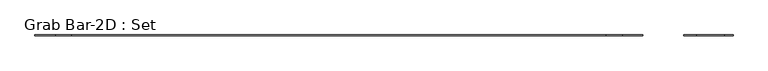
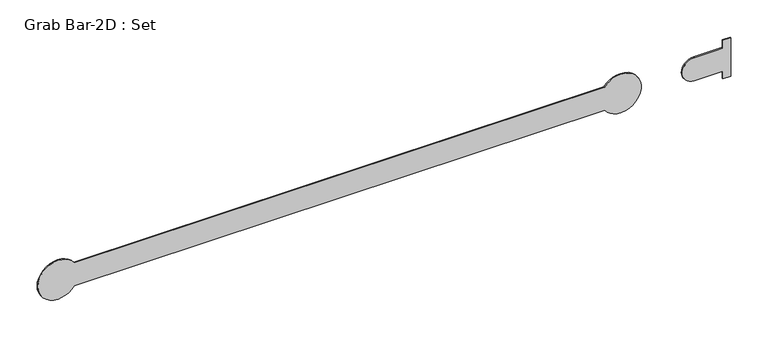
"""IFC4 building model written with IfcOpenShell, lengths in millimetres: proxy geometry, Grab Bar-2D : Set."""

from ifc_helpers import new_model, si_unit, point, frame, frame_2d, origin, place, context, project, spatial, polyline, circle_curve, trimmed, segment, composite_curve, outline, extrude, source, transform, mapped, element, save


def grab_bar_2d_set_b1d513ea(model_context):
    return source(origin(), model_context, "Body", "SweptSolid", [
        extrude(outline(composite_curve([segment(trimmed(circle_curve(frame_2d((914.4, -185.6468462)), 31.75), [point((933.45, -160.2468462))], [point((946.15, -185.6468462))], False, "CARTESIAN"), True, "CONTINUOUS"), segment(trimmed(circle_curve(frame_2d((914.4, -185.6468462)), 31.75), [point((946.15, -185.6468462))], [point((882.65, -185.6468462))], False, "CARTESIAN"), True, "CONTINUOUS"), segment(trimmed(circle_curve(frame_2d((914.4, -185.6468462)), 31.75), [point((882.65, -185.6468462))], [point((895.35, -160.2468462))], False, "CARTESIAN"), True, "CONTINUOUS"), segment(polyline([(895.35, -160.2468462), (895.35, 665.2531538)]), True, "CONTINUOUS"), segment(trimmed(circle_curve(frame_2d((914.4, 690.6531538)), 31.75), [point((895.35, 665.2531538))], [point((882.65, 690.6531538))], False, "CARTESIAN"), True, "CONTINUOUS"), segment(trimmed(circle_curve(frame_2d((914.4, 690.6531538)), 31.75), [point((882.65, 690.6531538))], [point((946.15, 690.6531538))], False, "CARTESIAN"), True, "CONTINUOUS"), segment(trimmed(circle_curve(frame_2d((914.4, 690.6531538)), 31.75), [point((946.15, 690.6531538))], [point((933.45, 665.2531538))], False, "CARTESIAN"), True, "CONTINUOUS"), segment(polyline([(933.45, 665.2531538), (933.45, -160.2468462)]), True, "CONTINUOUS")], self_intersect=False)), frame((0.0, -177.8, 0.0), z_axis=(0.0, 1.0, 0.0), x_axis=(0.0, 0.0, 1.0)), (0.0, 0.0, 1.0), 1.5875),
        extrude(outline(composite_curve([segment(polyline([(946.15, 862.1031538), (946.15, 849.4031538), (933.45, 849.4031538), (933.45, 804.9531538)]), True, "CONTINUOUS"), segment(trimmed(circle_curve(frame_2d((914.4, 804.9531538)), 19.05), [point((933.45, 804.9531538))], [point((895.35, 804.9531538))], False, "CARTESIAN"), True, "CONTINUOUS"), segment(polyline([(895.35, 804.9531538), (895.35, 849.4031538), (882.65, 849.4031538), (882.65, 862.1031538), (946.15, 862.1031538)]), True, "CONTINUOUS")], self_intersect=False)), frame((0.0, -177.8, 0.0), z_axis=(0.0, 1.0, 0.0), x_axis=(0.0, 0.0, 1.0)), (0.0, 0.0, 1.0), 1.5875),
    ])


if __name__ == "__main__":
    model = new_model("IFC4")
    model_context = context("Model", 3, world=origin())
    ifc_project = project(units=[si_unit("LENGTHUNIT", "METRE", prefix="MILLI")], contexts=[model_context])
    site = spatial("IfcSite", under=ifc_project)
    building = spatial("IfcBuilding", under=site)
    placement = place(None, origin())
    grab_bar_2d_set_shape = grab_bar_2d_set_b1d513ea(model_context)
    element("IfcBuildingElementProxy", 1, Name="Grab Bar-2D : Set", ObjectType="Grab Bar-2D : Set", at=placement, inside=building, context=model_context, shape_type="MappedRepresentation", body=[
        mapped(grab_bar_2d_set_shape, transform((0.0, 0.0, 0.0), x_axis=(1.0, 0.0, 0.0), y_axis=(0.0, 1.0, 0.0), z_axis=(0.0, 0.0, 1.0))),
    ])
    save(model, "model.ifc")
